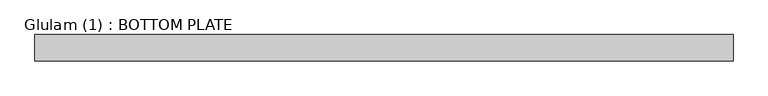
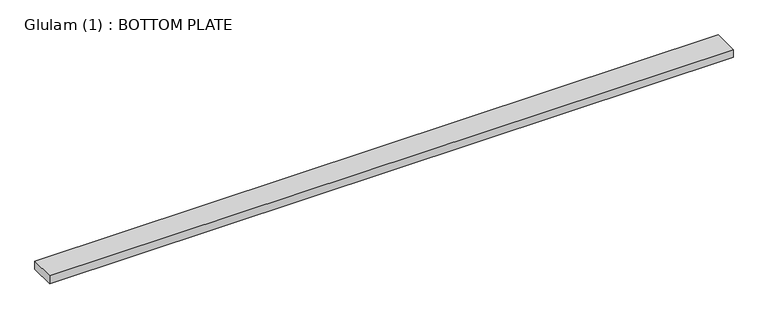
"""IFC4 building model written with IfcOpenShell, lengths in millimetres: beam geometry, Glulam (1) : BOTTOM PLATE."""

import ifcopenshell
import ifcopenshell.guid

model = None  # the IFC model being written
_history = None  # IfcOwnerHistory: only IFC2X3 demands one
_inside = {}  # id of a spatial element -> (the spatial element, [elements in it])
_under = {}  # id of a project, library or spatial element -> (it, [spatial elements below it])
_declared = {}  # id of a project -> (the project, [libraries it declares])
_typed = {}  # id of a type object -> (the type object, [elements of that type])
_made_of = {}  # id of a material, layer set ... -> (it, [elements and type objects made of it])


def new_model(schema):
    """Start an empty IFC model of exactly this schema.

    Asked for "IFC4X3", IfcOpenShell would pick the latest addendum, in which some entities
    have other attributes; the version numbers below select the first issue.
    IFC2X3 requires an IfcOwnerHistory on every rooted entity: one is made here for all.
    """
    global model, _history
    if schema == "IFC4X3":
        model = ifcopenshell.file(schema_version=(4, 3, 0, 0))
    else:
        model = ifcopenshell.file(schema=schema)
    _inside.clear()
    _under.clear()
    _declared.clear()
    _typed.clear()
    _made_of.clear()
    _history = None
    if model.schema == "IFC2X3":
        org = make("IfcOrganization", Name="unknown")
        user = make(
            "IfcPersonAndOrganization",
            ThePerson=make("IfcPerson", FamilyName="unknown"),
            TheOrganization=org,
        )
        app = make(
            "IfcApplication",
            ApplicationDeveloper=org,
            Version="unknown",
            ApplicationFullName="unknown",
            ApplicationIdentifier="unknown",
        )
        _history = make(
            "IfcOwnerHistory",
            OwningUser=user,
            OwningApplication=app,
            ChangeAction="ADDED",
            CreationDate=0,
        )
    return model


def make(cls, **values):
    """One entity of the class cls with the attributes given. An attribute that is None is left unset."""
    return model.create_entity(
        cls, **{name: value for name, value in values.items() if value is not None}
    )


def rooted(cls, **values):
    """An entity with a GlobalId (a new one), such as an element, a storey or a relation."""
    return make(cls, GlobalId=ifcopenshell.guid.new(), OwnerHistory=_history, **values)


def si_unit(unit_type, name, prefix=None):
    """IfcSIUnit, for example si_unit("LENGTHUNIT", "METRE", prefix="MILLI")."""
    return make("IfcSIUnit", UnitType=unit_type, Prefix=prefix, Name=name)


def assignment(units):
    """IfcUnitAssignment: the units of a project."""
    return None if units is None else make("IfcUnitAssignment", Units=units)


def point(xyz):
    """IfcCartesianPoint."""
    return None if xyz is None else make("IfcCartesianPoint", Coordinates=xyz)


def direction(xyz):
    """IfcDirection."""
    return None if xyz is None else make("IfcDirection", DirectionRatios=xyz)


def frame(location, z_axis=None, x_axis=None):
    """IfcAxis2Placement3D, a coordinate frame: its origin and axes. An axis left out is left unset."""
    return make(
        "IfcAxis2Placement3D",
        Location=point(location),
        Axis=direction(z_axis),
        RefDirection=direction(x_axis),
    )


def origin():
    """The frame at (0, 0, 0) with its axes left unset."""
    return frame((0.0, 0.0, 0.0))


def place(relative_to, where):
    """IfcLocalPlacement: puts the frame where relative to a parent placement (None: the world)."""
    return make(
        "IfcLocalPlacement", PlacementRelTo=relative_to, RelativePlacement=where
    )


def context(
    kind, dimensions, precision=None, world=None, true_north=None, identifier=None
):
    """IfcGeometricRepresentationContext, for example the 3D "Model" context."""
    return make(
        "IfcGeometricRepresentationContext",
        ContextIdentifier=identifier,
        ContextType=kind,
        CoordinateSpaceDimension=dimensions,
        Precision=precision,
        WorldCoordinateSystem=world,
        TrueNorth=true_north,
    )


def project(units=None, contexts=None):
    """IfcProject with its units and contexts."""
    return rooted(
        "IfcProject",
        Name="project",
        RepresentationContexts=contexts,
        UnitsInContext=assignment(units),
    )


def spatial(cls, under=None, at=None, **own):
    """A site, building, storey or space (cls), placed at a placement, below another one or the project."""
    s = rooted(cls, ObjectPlacement=at, **own)
    if under is not None:
        _under.setdefault(under.id(), (under, []))[1].append(s)
    return s


def polyline(points):
    """IfcPolyline through the points."""
    return make("IfcPolyline", Points=[point(p) for p in points])


def outline(outer, holes=None, kind="AREA"):
    """IfcArbitraryClosedProfileDef: a profile drawn as a closed curve; with holes, ...WithVoids."""
    if holes is None:
        return make("IfcArbitraryClosedProfileDef", ProfileType=kind, OuterCurve=outer)
    return make(
        "IfcArbitraryProfileDefWithVoids",
        ProfileType=kind,
        OuterCurve=outer,
        InnerCurves=holes,
    )


def extrude(swept, where, along, depth):
    """IfcExtrudedAreaSolid: the profile swept, set in the frame where, extruded along a direction by depth."""
    return make(
        "IfcExtrudedAreaSolid",
        SweptArea=swept,
        Position=where,
        ExtrudedDirection=direction(along),
        Depth=depth,
    )


def shape(context_of_items, identifier, shape_type, items):
    """IfcShapeRepresentation: the items that make up one representation, for example the "Body"."""
    return make(
        "IfcShapeRepresentation",
        ContextOfItems=context_of_items,
        RepresentationIdentifier=identifier,
        RepresentationType=shape_type,
        Items=items,
    )


def source(mapping_origin, context_of_items, identifier, shape_type, items):
    """IfcRepresentationMap: a shape defined once, which mapped items show again and again."""
    return make(
        "IfcRepresentationMap",
        MappingOrigin=mapping_origin,
        MappedRepresentation=shape(context_of_items, identifier, shape_type, items),
    )


def transform(
    local_origin,
    x_axis=None,
    y_axis=None,
    z_axis=None,
    scale=None,
    scale2=None,
    scale3=None,
    uniform=True,
):
    """IfcCartesianTransformationOperator3D, or its non-uniform kind. x_axis, y_axis, z_axis: its Axis1, 2, 3."""
    if uniform:
        return make(
            "IfcCartesianTransformationOperator3D",
            Axis1=direction(x_axis),
            Axis2=direction(y_axis),
            LocalOrigin=point(local_origin),
            Scale=scale,
            Axis3=direction(z_axis),
        )
    return make(
        "IfcCartesianTransformationOperator3DnonUniform",
        Axis1=direction(x_axis),
        Axis2=direction(y_axis),
        LocalOrigin=point(local_origin),
        Scale=scale,
        Axis3=direction(z_axis),
        Scale2=scale2,
        Scale3=scale3,
    )


def mapped(mapping_source, mapping_target):
    """IfcMappedItem: shows the shape of a source again, moved by a transform."""
    return make(
        "IfcMappedItem", MappingSource=mapping_source, MappingTarget=mapping_target
    )


def made_of(thing, what):
    """Note that an element or type object is made of a material, layer set ...; save() writes the relation."""
    if what is not None:
        _made_of.setdefault(what.id(), (what, []))[1].append(thing)
    return thing


def element(
    cls,
    number,
    at=None,
    inside=None,
    cuts=None,
    type_object=None,
    material=None,
    context=None,
    identifier="Body",
    shape_type=None,
    held_by="IfcProductDefinitionShape",
    body=None,
    shapes=None,
    **own,
):
    """One element of the class cls, such as IfcWall. Its Tag is "e" and its number.

    at: its placement. inside: the storey or other place that contains it. cuts: it is an
    opening in that element (IfcRelVoidsElement). A single representation is given by context,
    identifier, shape_type and body (its items); several are given by shapes. held_by: the class
    of the entity that holds the representations. save() writes the other relations.
    """
    e = rooted(cls, Tag="e%d" % number, ObjectPlacement=at, **own)
    if body is not None:
        shapes = [shape(context, identifier, shape_type, body)]
    if shapes is not None:
        e.Representation = make(held_by, Representations=shapes)
    if inside is not None:
        _inside.setdefault(inside.id(), (inside, []))[1].append(e)
    if cuts is not None:
        rooted(
            "IfcRelVoidsElement", RelatingBuildingElement=cuts, RelatedOpeningElement=e
        )
    if type_object is not None:
        _typed.setdefault(type_object.id(), (type_object, []))[1].append(e)
    return made_of(e, material)


def aggregate(whole, parts):
    """IfcRelAggregates: a whole, such as a stair, and the parts it consists of."""
    return rooted("IfcRelAggregates", RelatingObject=whole, RelatedObjects=parts)


def save(model, path):
    """Write the relations noted so far, then the file.

    IfcRelAggregates (storeys below a building ...), IfcRelContainedInSpatialStructure (elements
    in a storey), IfcRelDefinesByType, IfcRelAssociatesMaterial and IfcRelDeclares: one each for
    every whole, place, type object, material and project.
    """
    for whole, parts in _under.values():
        aggregate(whole, parts)
    for where, things in _inside.values():
        rooted(
            "IfcRelContainedInSpatialStructure",
            RelatedElements=things,
            RelatingStructure=where,
        )
    for kind, things in _typed.values():
        rooted("IfcRelDefinesByType", RelatedObjects=things, RelatingType=kind)
    for what, things in _made_of.values():
        rooted("IfcRelAssociatesMaterial", RelatedObjects=things, RelatingMaterial=what)
    for by, libraries in _declared.values():
        rooted("IfcRelDeclares", RelatingContext=by, RelatedDefinitions=libraries)
    model.write(path)


def glulam_1_bottom_plate_a2e3b590(model_context):
    return source(origin(), model_context, "Body", "SweptSolid", [
        extrude(outline(polyline([(2171.0, 70.0), (2171.0, -70.0), (-1553.3603903, -70.0), (-1553.3603903, 70.0), (2171.0, 70.0)])), frame((0.0, 0.0, -22.5), z_axis=(0.0, 0.0, 1.0), x_axis=(1.0, 0.0, 0.0)), (0.0, 0.0, 1.0), 45.0),
    ])


if __name__ == "__main__":
    model = new_model("IFC4")
    model_context = context("Model", 3, world=origin())
    ifc_project = project(units=[si_unit("LENGTHUNIT", "METRE", prefix="MILLI")], contexts=[model_context])
    site = spatial("IfcSite", under=ifc_project)
    building = spatial("IfcBuilding", under=site)
    placement = place(None, origin())
    glulam_1_bottom_plate_shape = glulam_1_bottom_plate_a2e3b590(model_context)
    element("IfcBeam", 1, ObjectType="Glulam (1) : BOTTOM PLATE", at=placement, inside=building, context=model_context, shape_type="MappedRepresentation", body=[
        mapped(glulam_1_bottom_plate_shape, transform((0.0, 0.0, 0.0), x_axis=(1.0, 0.0, 0.0), y_axis=(0.0, 1.0, 0.0), z_axis=(0.0, 0.0, 1.0))),
    ])
    save(model, "model.ifc")
